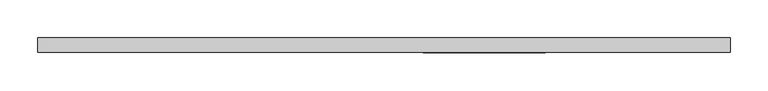
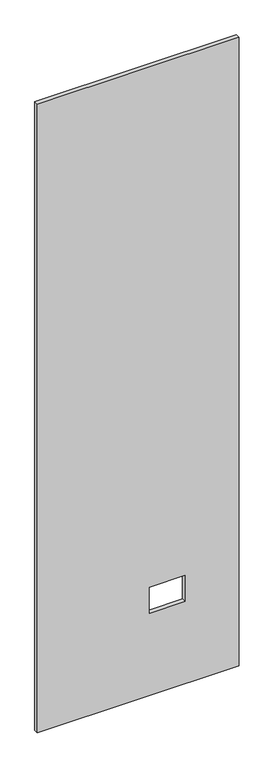
"""IFC4 building model written with IfcOpenShell, lengths in millimetres: proxy geometry."""

import ifcopenshell
import ifcopenshell.guid

model = None  # the IFC model being written
_history = None  # IfcOwnerHistory: only IFC2X3 demands one
_inside = {}  # id of a spatial element -> (the spatial element, [elements in it])
_under = {}  # id of a project, library or spatial element -> (it, [spatial elements below it])
_declared = {}  # id of a project -> (the project, [libraries it declares])
_typed = {}  # id of a type object -> (the type object, [elements of that type])
_made_of = {}  # id of a material, layer set ... -> (it, [elements and type objects made of it])


def new_model(schema):
    """Start an empty IFC model of exactly this schema.

    Asked for "IFC4X3", IfcOpenShell would pick the latest addendum, in which some entities
    have other attributes; the version numbers below select the first issue.
    IFC2X3 requires an IfcOwnerHistory on every rooted entity: one is made here for all.
    """
    global model, _history
    if schema == "IFC4X3":
        model = ifcopenshell.file(schema_version=(4, 3, 0, 0))
    else:
        model = ifcopenshell.file(schema=schema)
    _inside.clear()
    _under.clear()
    _declared.clear()
    _typed.clear()
    _made_of.clear()
    _history = None
    if model.schema == "IFC2X3":
        org = make("IfcOrganization", Name="unknown")
        user = make(
            "IfcPersonAndOrganization",
            ThePerson=make("IfcPerson", FamilyName="unknown"),
            TheOrganization=org,
        )
        app = make(
            "IfcApplication",
            ApplicationDeveloper=org,
            Version="unknown",
            ApplicationFullName="unknown",
            ApplicationIdentifier="unknown",
        )
        _history = make(
            "IfcOwnerHistory",
            OwningUser=user,
            OwningApplication=app,
            ChangeAction="ADDED",
            CreationDate=0,
        )
    return model


def make(cls, **values):
    """One entity of the class cls with the attributes given. An attribute that is None is left unset."""
    return model.create_entity(
        cls, **{name: value for name, value in values.items() if value is not None}
    )


def rooted(cls, **values):
    """An entity with a GlobalId (a new one), such as an element, a storey or a relation."""
    return make(cls, GlobalId=ifcopenshell.guid.new(), OwnerHistory=_history, **values)


def si_unit(unit_type, name, prefix=None):
    """IfcSIUnit, for example si_unit("LENGTHUNIT", "METRE", prefix="MILLI")."""
    return make("IfcSIUnit", UnitType=unit_type, Prefix=prefix, Name=name)


def assignment(units):
    """IfcUnitAssignment: the units of a project."""
    return None if units is None else make("IfcUnitAssignment", Units=units)


def point(xyz):
    """IfcCartesianPoint."""
    return None if xyz is None else make("IfcCartesianPoint", Coordinates=xyz)


def direction(xyz):
    """IfcDirection."""
    return None if xyz is None else make("IfcDirection", DirectionRatios=xyz)


def frame(location, z_axis=None, x_axis=None):
    """IfcAxis2Placement3D, a coordinate frame: its origin and axes. An axis left out is left unset."""
    return make(
        "IfcAxis2Placement3D",
        Location=point(location),
        Axis=direction(z_axis),
        RefDirection=direction(x_axis),
    )


def origin():
    """The frame at (0, 0, 0) with its axes left unset."""
    return frame((0.0, 0.0, 0.0))


def place(relative_to, where):
    """IfcLocalPlacement: puts the frame where relative to a parent placement (None: the world)."""
    return make(
        "IfcLocalPlacement", PlacementRelTo=relative_to, RelativePlacement=where
    )


def context(
    kind, dimensions, precision=None, world=None, true_north=None, identifier=None
):
    """IfcGeometricRepresentationContext, for example the 3D "Model" context."""
    return make(
        "IfcGeometricRepresentationContext",
        ContextIdentifier=identifier,
        ContextType=kind,
        CoordinateSpaceDimension=dimensions,
        Precision=precision,
        WorldCoordinateSystem=world,
        TrueNorth=true_north,
    )


def project(units=None, contexts=None):
    """IfcProject with its units and contexts."""
    return rooted(
        "IfcProject",
        Name="project",
        RepresentationContexts=contexts,
        UnitsInContext=assignment(units),
    )


def spatial(cls, under=None, at=None, **own):
    """A site, building, storey or space (cls), placed at a placement, below another one or the project."""
    s = rooted(cls, ObjectPlacement=at, **own)
    if under is not None:
        _under.setdefault(under.id(), (under, []))[1].append(s)
    return s


def polyline(points):
    """IfcPolyline through the points."""
    return make("IfcPolyline", Points=[point(p) for p in points])


def outline(outer, holes=None, kind="AREA"):
    """IfcArbitraryClosedProfileDef: a profile drawn as a closed curve; with holes, ...WithVoids."""
    if holes is None:
        return make("IfcArbitraryClosedProfileDef", ProfileType=kind, OuterCurve=outer)
    return make(
        "IfcArbitraryProfileDefWithVoids",
        ProfileType=kind,
        OuterCurve=outer,
        InnerCurves=holes,
    )


def extrude(swept, where, along, depth):
    """IfcExtrudedAreaSolid: the profile swept, set in the frame where, extruded along a direction by depth."""
    return make(
        "IfcExtrudedAreaSolid",
        SweptArea=swept,
        Position=where,
        ExtrudedDirection=direction(along),
        Depth=depth,
    )


def shape(context_of_items, identifier, shape_type, items):
    """IfcShapeRepresentation: the items that make up one representation, for example the "Body"."""
    return make(
        "IfcShapeRepresentation",
        ContextOfItems=context_of_items,
        RepresentationIdentifier=identifier,
        RepresentationType=shape_type,
        Items=items,
    )


def source(mapping_origin, context_of_items, identifier, shape_type, items):
    """IfcRepresentationMap: a shape defined once, which mapped items show again and again."""
    return make(
        "IfcRepresentationMap",
        MappingOrigin=mapping_origin,
        MappedRepresentation=shape(context_of_items, identifier, shape_type, items),
    )


def transform(
    local_origin,
    x_axis=None,
    y_axis=None,
    z_axis=None,
    scale=None,
    scale2=None,
    scale3=None,
    uniform=True,
):
    """IfcCartesianTransformationOperator3D, or its non-uniform kind. x_axis, y_axis, z_axis: its Axis1, 2, 3."""
    if uniform:
        return make(
            "IfcCartesianTransformationOperator3D",
            Axis1=direction(x_axis),
            Axis2=direction(y_axis),
            LocalOrigin=point(local_origin),
            Scale=scale,
            Axis3=direction(z_axis),
        )
    return make(
        "IfcCartesianTransformationOperator3DnonUniform",
        Axis1=direction(x_axis),
        Axis2=direction(y_axis),
        LocalOrigin=point(local_origin),
        Scale=scale,
        Axis3=direction(z_axis),
        Scale2=scale2,
        Scale3=scale3,
    )


def mapped(mapping_source, mapping_target):
    """IfcMappedItem: shows the shape of a source again, moved by a transform."""
    return make(
        "IfcMappedItem", MappingSource=mapping_source, MappingTarget=mapping_target
    )


def made_of(thing, what):
    """Note that an element or type object is made of a material, layer set ...; save() writes the relation."""
    if what is not None:
        _made_of.setdefault(what.id(), (what, []))[1].append(thing)
    return thing


def element(
    cls,
    number,
    at=None,
    inside=None,
    cuts=None,
    type_object=None,
    material=None,
    context=None,
    identifier="Body",
    shape_type=None,
    held_by="IfcProductDefinitionShape",
    body=None,
    shapes=None,
    **own,
):
    """One element of the class cls, such as IfcWall. Its Tag is "e" and its number.

    at: its placement. inside: the storey or other place that contains it. cuts: it is an
    opening in that element (IfcRelVoidsElement). A single representation is given by context,
    identifier, shape_type and body (its items); several are given by shapes. held_by: the class
    of the entity that holds the representations. save() writes the other relations.
    """
    e = rooted(cls, Tag="e%d" % number, ObjectPlacement=at, **own)
    if body is not None:
        shapes = [shape(context, identifier, shape_type, body)]
    if shapes is not None:
        e.Representation = make(held_by, Representations=shapes)
    if inside is not None:
        _inside.setdefault(inside.id(), (inside, []))[1].append(e)
    if cuts is not None:
        rooted(
            "IfcRelVoidsElement", RelatingBuildingElement=cuts, RelatedOpeningElement=e
        )
    if type_object is not None:
        _typed.setdefault(type_object.id(), (type_object, []))[1].append(e)
    return made_of(e, material)


def aggregate(whole, parts):
    """IfcRelAggregates: a whole, such as a stair, and the parts it consists of."""
    return rooted("IfcRelAggregates", RelatingObject=whole, RelatedObjects=parts)


def save(model, path):
    """Write the relations noted so far, then the file.

    IfcRelAggregates (storeys below a building ...), IfcRelContainedInSpatialStructure (elements
    in a storey), IfcRelDefinesByType, IfcRelAssociatesMaterial and IfcRelDeclares: one each for
    every whole, place, type object, material and project.
    """
    for whole, parts in _under.values():
        aggregate(whole, parts)
    for where, things in _inside.values():
        rooted(
            "IfcRelContainedInSpatialStructure",
            RelatedElements=things,
            RelatingStructure=where,
        )
    for kind, things in _typed.values():
        rooted("IfcRelDefinesByType", RelatedObjects=things, RelatingType=kind)
    for what, things in _made_of.values():
        rooted("IfcRelAssociatesMaterial", RelatedObjects=things, RelatingMaterial=what)
    for by, libraries in _declared.values():
        rooted("IfcRelDeclares", RelatingContext=by, RelatedDefinitions=libraries)
    model.write(path)


def specialty_equipment_a87afe96(model_context):
    return source(origin(), model_context, "Body", "SweptSolid", [
        extrude(outline(polyline([(2999.5368001, -455.3204), (3.175, -455.3204), (3.175, 455.3204), (2999.5368001, 455.3204), (2999.5368001, -455.3204)]), holes=[polyline([(395.4526, 211.8868), (395.4526, 51.3588), (518.9474, 51.3588), (518.9474, 211.8868), (395.4526, 211.8868)])]), frame((0.0, -9.525, 0.0), z_axis=(0.0, 1.0, 0.0), x_axis=(0.0, 0.0, 1.0)), (0.0, 0.0, 1.0), 19.05),
    ])


if __name__ == "__main__":
    model = new_model("IFC4")
    model_context = context("Model", 3, world=origin())
    ifc_project = project(units=[si_unit("LENGTHUNIT", "METRE", prefix="MILLI")], contexts=[model_context])
    site = spatial("IfcSite", under=ifc_project)
    building = spatial("IfcBuilding", under=site)
    placement = place(None, origin())
    specialty_equipment_shape = specialty_equipment_a87afe96(model_context)
    element("IfcBuildingElementProxy", 1, Name="Specialty Equipment", at=placement, inside=building, context=model_context, shape_type="MappedRepresentation", body=[
        mapped(specialty_equipment_shape, transform((0.0, 0.0, 0.0), x_axis=(1.0, 0.0, 0.0), y_axis=(0.0, 1.0, 0.0), z_axis=(0.0, 0.0, 1.0))),
    ])
    save(model, "model.ifc")
